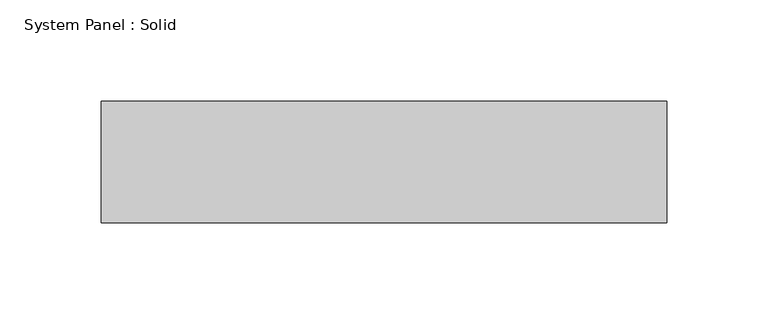
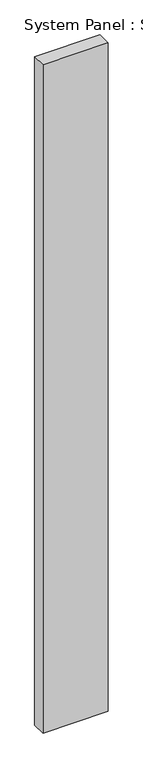
"""IFC4 building model written with IfcOpenShell, lengths in millimetres: plate geometry, System Panel : Solid."""

from ifc_helpers import new_model, si_unit, origin, origin_with_axes, place, context, project, spatial, polyline, outline, extrude, source, transform, mapped, element, save


def system_panel_solid_2f105155(model_context):
    return source(origin(), model_context, "Body", "SweptSolid", [
        extrude(outline(polyline([(139.7, -10.5), (-139.7, -10.5), (-139.7, 49.5), (139.7, 49.5), (139.7, -10.5)])), origin_with_axes(), (0.0, 0.0, 1.0), 3018.3328001),
    ])


if __name__ == "__main__":
    model = new_model("IFC4")
    model_context = context("Model", 3, world=origin())
    ifc_project = project(units=[si_unit("LENGTHUNIT", "METRE", prefix="MILLI")], contexts=[model_context])
    site = spatial("IfcSite", under=ifc_project)
    building = spatial("IfcBuilding", under=site)
    placement = place(None, origin())
    system_panel_solid_shape = system_panel_solid_2f105155(model_context)
    element("IfcPlate", 1, ObjectType="System Panel : Solid", at=placement, inside=building, context=model_context, shape_type="MappedRepresentation", body=[
        mapped(system_panel_solid_shape, transform((0.0, 0.0, 0.0), x_axis=(1.0, 0.0, 0.0), y_axis=(0.0, 1.0, 0.0), z_axis=(0.0, 0.0, 1.0))),
    ])
    save(model, "model.ifc")
